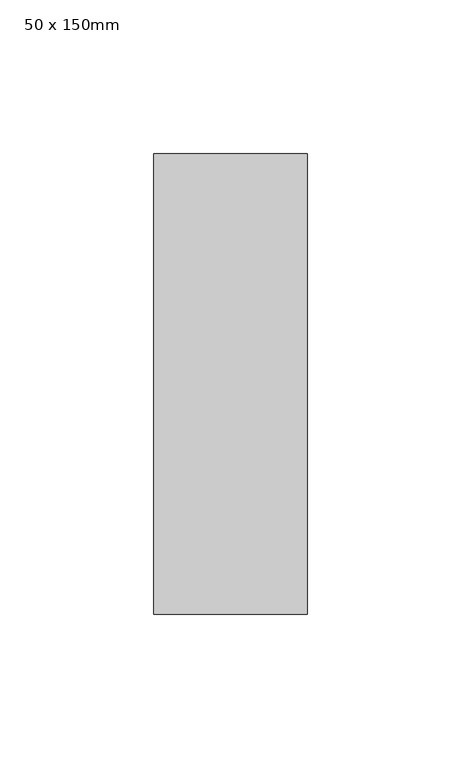
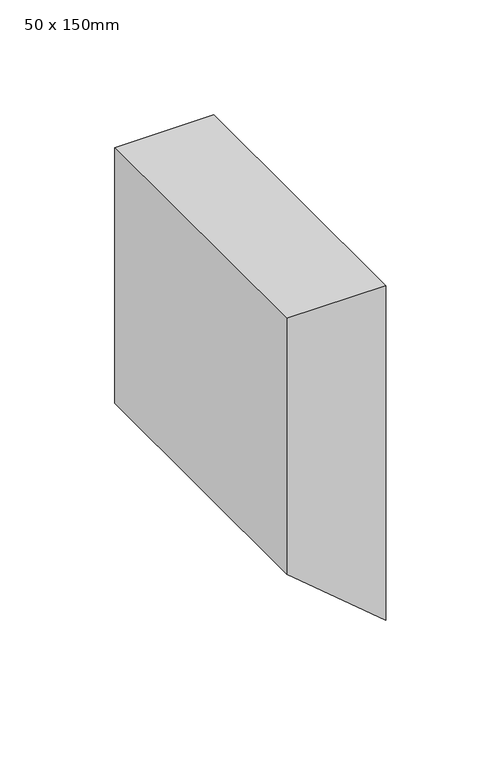
"""IFC4 building model written with IfcOpenShell, lengths in millimetres: member geometry, 50 x 150mm."""

from ifc_helpers import new_model, si_unit, frame, origin, place, context, project, spatial, polyline, outline, extrude, source, transform, mapped, element, save


def member_50_x_150mm_99e2ae44(model_context):
    return source(origin(), model_context, "Body", "SweptSolid", [
        extrude(outline(polyline([(0.0, 0.0), (0.0, -50.0), (-136.0811347, -50.0), (-178.246867, 0.0), (0.0, 0.0)])), frame((0.0, -75.0, 0.0), z_axis=(0.0, 1.0, 0.0), x_axis=(0.0, 0.0, 1.0)), (0.0, 0.0, 1.0), 150.0),
    ])


if __name__ == "__main__":
    model = new_model("IFC4")
    model_context = context("Model", 3, world=origin())
    ifc_project = project(units=[si_unit("LENGTHUNIT", "METRE", prefix="MILLI")], contexts=[model_context])
    site = spatial("IfcSite", under=ifc_project)
    building = spatial("IfcBuilding", under=site)
    placement = place(None, origin())
    member_50_x_150mm_shape = member_50_x_150mm_99e2ae44(model_context)
    element("IfcMember", 1, ObjectType="50 x 150mm", at=placement, inside=building, context=model_context, shape_type="MappedRepresentation", body=[
        mapped(member_50_x_150mm_shape, transform((0.0, 0.0, 0.0), x_axis=(1.0, 0.0, 0.0), y_axis=(0.0, 1.0, 0.0), z_axis=(0.0, 0.0, 1.0))),
    ])
    save(model, "model.ifc")
